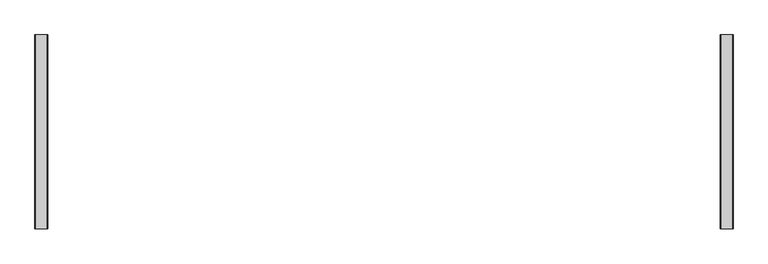
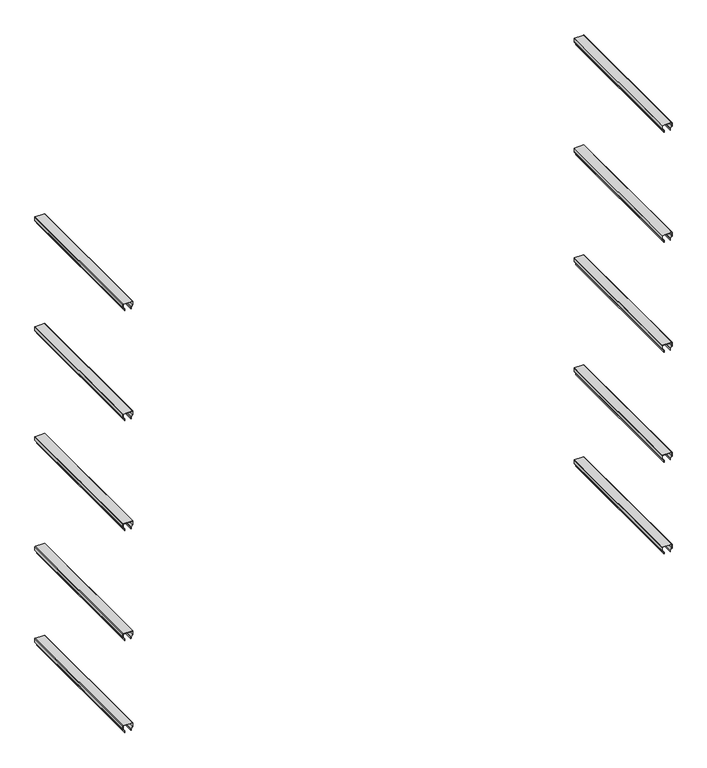
"""IFC4 building model written with IfcOpenShell, lengths in millimetres: furniture geometry."""

from ifc_helpers import new_model, si_unit, point, frame, frame_2d, origin, place, context, project, spatial, polyline, circle_curve, trimmed, segment, composite_curve, outline, extrude, source, transform, mapped, element, save


def furniture_680c0d01(model_context):
    return source(origin(), model_context, "Body", "SweptSolid", [
        extrude(outline(composite_curve([segment(polyline([(609.6, 66.9705882), (609.6, 18.0294118)]), True, "CONTINUOUS"), segment(trimmed(circle_curve(frame_2d((608.0705882, 18.0294118)), 1.5294118), [point((609.6, 18.0294118))], [point((608.0705882, 16.5))], False, "CARTESIAN"), True, "CONTINUOUS"), segment(polyline([(608.0705882, 16.5), (588.8217384, 16.5)]), True, "CONTINUOUS"), segment(trimmed(circle_curve(frame_2d((588.8217384, 18.0294118)), 1.5294118), [point((588.8217384, 16.5))], [point((587.740281, 16.9479543))], False, "CARTESIAN"), True, "CONTINUOUS"), segment(polyline([(587.740281, 16.9479543), (579.0117647, 25.6764706), (569.8352941, 25.6764706), (569.8352941, 26.5941176), (578.7583635, 26.5941176)]), True, "CONTINUOUS"), segment(trimmed(circle_curve(frame_2d((578.7583635, 25.0647059)), 1.5294118), [point((578.7583635, 26.5941176))], [point((579.8398209, 26.1461633))], False, "CARTESIAN"), True, "CONTINUOUS"), segment(polyline([(579.8398209, 26.1461633), (588.5683372, 17.4176471), (608.0705882, 17.4176471)]), True, "CONTINUOUS"), segment(trimmed(circle_curve(frame_2d((608.0705882, 18.0294118)), 0.6117647), [point((608.0705882, 17.4176471))], [point((608.6823529, 18.0294118))], True, "CARTESIAN"), True, "CONTINUOUS"), segment(polyline([(608.6823529, 18.0294118), (608.6823529, 66.9705882)]), True, "CONTINUOUS"), segment(trimmed(circle_curve(frame_2d((608.0705882, 66.9705882)), 0.6117647), [point((608.6823529, 66.9705882))], [point((608.0705882, 67.5823529))], True, "CARTESIAN"), True, "CONTINUOUS"), segment(polyline([(608.0705882, 67.5823529), (588.5683372, 67.5823529), (579.8398209, 58.8538367)]), True, "CONTINUOUS"), segment(trimmed(circle_curve(frame_2d((578.7583635, 59.9352941)), 1.5294118), [point((579.8398209, 58.8538367))], [point((578.7583635, 58.4058824))], False, "CARTESIAN"), True, "CONTINUOUS"), segment(polyline([(578.7583635, 58.4058824), (569.8352941, 58.4058824), (569.8352941, 59.3235294), (579.0117647, 59.3235294), (587.740281, 68.0520457)]), True, "CONTINUOUS"), segment(trimmed(circle_curve(frame_2d((588.8217384, 66.9705882)), 1.5294118), [point((587.740281, 68.0520457))], [point((588.8217384, 68.5))], False, "CARTESIAN"), True, "CONTINUOUS"), segment(polyline([(588.8217384, 68.5), (608.0705882, 68.5)]), True, "CONTINUOUS"), segment(trimmed(circle_curve(frame_2d((608.0705882, 66.9705882)), 1.5294118), [point((608.0705882, 68.5))], [point((609.6, 66.9705882))], False, "CARTESIAN"), True, "CONTINUOUS")], self_intersect=False)), frame((0.0, 50.0, 0.0), z_axis=(0.0, 1.0, 0.0), x_axis=(0.0, 0.0, 1.0)), (0.0, 0.0, 1.0), 800.0),
        extrude(outline(composite_curve([segment(polyline([(1219.2, 66.9705882), (1219.2, 18.0294118)]), True, "CONTINUOUS"), segment(trimmed(circle_curve(frame_2d((1217.6705882, 18.0294118)), 1.5294118), [point((1219.2, 18.0294118))], [point((1217.6705882, 16.5))], False, "CARTESIAN"), True, "CONTINUOUS"), segment(polyline([(1217.6705882, 16.5), (1198.4217384, 16.5)]), True, "CONTINUOUS"), segment(trimmed(circle_curve(frame_2d((1198.4217384, 18.0294118)), 1.5294118), [point((1198.4217384, 16.5))], [point((1197.340281, 16.9479543))], False, "CARTESIAN"), True, "CONTINUOUS"), segment(polyline([(1197.340281, 16.9479543), (1188.6117647, 25.6764706), (1179.4352941, 25.6764706), (1179.4352941, 26.5941176), (1188.3583635, 26.5941176)]), True, "CONTINUOUS"), segment(trimmed(circle_curve(frame_2d((1188.3583635, 25.0647059)), 1.5294118), [point((1188.3583635, 26.5941176))], [point((1189.4398209, 26.1461633))], False, "CARTESIAN"), True, "CONTINUOUS"), segment(polyline([(1189.4398209, 26.1461633), (1198.1683372, 17.4176471), (1217.6705882, 17.4176471)]), True, "CONTINUOUS"), segment(trimmed(circle_curve(frame_2d((1217.6705882, 18.0294118)), 0.6117647), [point((1217.6705882, 17.4176471))], [point((1218.2823529, 18.0294118))], True, "CARTESIAN"), True, "CONTINUOUS"), segment(polyline([(1218.2823529, 18.0294118), (1218.2823529, 66.9705882)]), True, "CONTINUOUS"), segment(trimmed(circle_curve(frame_2d((1217.6705882, 66.9705882)), 0.6117647), [point((1218.2823529, 66.9705882))], [point((1217.6705882, 67.5823529))], True, "CARTESIAN"), True, "CONTINUOUS"), segment(polyline([(1217.6705882, 67.5823529), (1198.1683372, 67.5823529), (1189.4398209, 58.8538367)]), True, "CONTINUOUS"), segment(trimmed(circle_curve(frame_2d((1188.3583635, 59.9352941)), 1.5294118), [point((1189.4398209, 58.8538367))], [point((1188.3583635, 58.4058824))], False, "CARTESIAN"), True, "CONTINUOUS"), segment(polyline([(1188.3583635, 58.4058824), (1179.4352941, 58.4058824), (1179.4352941, 59.3235294), (1188.6117647, 59.3235294), (1197.340281, 68.0520457)]), True, "CONTINUOUS"), segment(trimmed(circle_curve(frame_2d((1198.4217384, 66.9705882)), 1.5294118), [point((1197.340281, 68.0520457))], [point((1198.4217384, 68.5))], False, "CARTESIAN"), True, "CONTINUOUS"), segment(polyline([(1198.4217384, 68.5), (1217.6705882, 68.5)]), True, "CONTINUOUS"), segment(trimmed(circle_curve(frame_2d((1217.6705882, 66.9705882)), 1.5294118), [point((1217.6705882, 68.5))], [point((1219.2, 66.9705882))], False, "CARTESIAN"), True, "CONTINUOUS")], self_intersect=False)), frame((0.0, 50.0, 0.0), z_axis=(0.0, 1.0, 0.0), x_axis=(0.0, 0.0, 1.0)), (0.0, 0.0, 1.0), 800.0),
        extrude(outline(composite_curve([segment(polyline([(2438.4, 66.9705882), (2438.4, 18.0294118)]), True, "CONTINUOUS"), segment(trimmed(circle_curve(frame_2d((2436.8705882, 18.0294118)), 1.5294118), [point((2438.4, 18.0294118))], [point((2436.8705882, 16.5))], False, "CARTESIAN"), True, "CONTINUOUS"), segment(polyline([(2436.8705882, 16.5), (2417.6217384, 16.5)]), True, "CONTINUOUS"), segment(trimmed(circle_curve(frame_2d((2417.6217384, 18.0294118)), 1.5294118), [point((2417.6217384, 16.5))], [point((2416.540281, 16.9479543))], False, "CARTESIAN"), True, "CONTINUOUS"), segment(polyline([(2416.540281, 16.9479543), (2407.8117647, 25.6764706), (2398.6352941, 25.6764706), (2398.6352941, 26.5941176), (2407.5583635, 26.5941176)]), True, "CONTINUOUS"), segment(trimmed(circle_curve(frame_2d((2407.5583635, 25.0647059)), 1.5294118), [point((2407.5583635, 26.5941176))], [point((2408.6398209, 26.1461633))], False, "CARTESIAN"), True, "CONTINUOUS"), segment(polyline([(2408.6398209, 26.1461633), (2417.3683372, 17.4176471), (2436.8705882, 17.4176471)]), True, "CONTINUOUS"), segment(trimmed(circle_curve(frame_2d((2436.8705882, 18.0294118)), 0.6117647), [point((2436.8705882, 17.4176471))], [point((2437.4823529, 18.0294118))], True, "CARTESIAN"), True, "CONTINUOUS"), segment(polyline([(2437.4823529, 18.0294118), (2437.4823529, 66.9705882)]), True, "CONTINUOUS"), segment(trimmed(circle_curve(frame_2d((2436.8705882, 66.9705882)), 0.6117647), [point((2437.4823529, 66.9705882))], [point((2436.8705882, 67.5823529))], True, "CARTESIAN"), True, "CONTINUOUS"), segment(polyline([(2436.8705882, 67.5823529), (2417.3683372, 67.5823529), (2408.6398209, 58.8538367)]), True, "CONTINUOUS"), segment(trimmed(circle_curve(frame_2d((2407.5583635, 59.9352941)), 1.5294118), [point((2408.6398209, 58.8538367))], [point((2407.5583635, 58.4058824))], False, "CARTESIAN"), True, "CONTINUOUS"), segment(polyline([(2407.5583635, 58.4058824), (2398.6352941, 58.4058824), (2398.6352941, 59.3235294), (2407.8117647, 59.3235294), (2416.540281, 68.0520457)]), True, "CONTINUOUS"), segment(trimmed(circle_curve(frame_2d((2417.6217384, 66.9705882)), 1.5294118), [point((2416.540281, 68.0520457))], [point((2417.6217384, 68.5))], False, "CARTESIAN"), True, "CONTINUOUS"), segment(polyline([(2417.6217384, 68.5), (2436.8705882, 68.5)]), True, "CONTINUOUS"), segment(trimmed(circle_curve(frame_2d((2436.8705882, 66.9705882)), 1.5294118), [point((2436.8705882, 68.5))], [point((2438.4, 66.9705882))], False, "CARTESIAN"), True, "CONTINUOUS")], self_intersect=False)), frame((0.0, 50.0, 0.0), z_axis=(0.0, 1.0, 0.0), x_axis=(0.0, 0.0, 1.0)), (0.0, 0.0, 1.0), 800.0),
        extrude(outline(composite_curve([segment(polyline([(609.6, 2894.9705882), (609.6, 2846.0294118)]), True, "CONTINUOUS"), segment(trimmed(circle_curve(frame_2d((608.0705882, 2846.0294118)), 1.5294118), [point((609.6, 2846.0294118))], [point((608.0705882, 2844.5))], False, "CARTESIAN"), True, "CONTINUOUS"), segment(polyline([(608.0705882, 2844.5), (588.8217384, 2844.5)]), True, "CONTINUOUS"), segment(trimmed(circle_curve(frame_2d((588.8217384, 2846.0294118)), 1.5294118), [point((588.8217384, 2844.5))], [point((587.740281, 2844.9479543))], False, "CARTESIAN"), True, "CONTINUOUS"), segment(polyline([(587.740281, 2844.9479543), (579.0117647, 2853.6764706), (569.8352941, 2853.6764706), (569.8352941, 2854.5941176), (578.7583635, 2854.5941176)]), True, "CONTINUOUS"), segment(trimmed(circle_curve(frame_2d((578.7583635, 2853.0647059)), 1.5294118), [point((578.7583635, 2854.5941176))], [point((579.8398209, 2854.1461633))], False, "CARTESIAN"), True, "CONTINUOUS"), segment(polyline([(579.8398209, 2854.1461633), (588.5683372, 2845.4176471), (608.0705882, 2845.4176471)]), True, "CONTINUOUS"), segment(trimmed(circle_curve(frame_2d((608.0705882, 2846.0294118)), 0.6117647), [point((608.0705882, 2845.4176471))], [point((608.6823529, 2846.0294118))], True, "CARTESIAN"), True, "CONTINUOUS"), segment(polyline([(608.6823529, 2846.0294118), (608.6823529, 2894.9705882)]), True, "CONTINUOUS"), segment(trimmed(circle_curve(frame_2d((608.0705882, 2894.9705882)), 0.6117647), [point((608.6823529, 2894.9705882))], [point((608.0705882, 2895.5823529))], True, "CARTESIAN"), True, "CONTINUOUS"), segment(polyline([(608.0705882, 2895.5823529), (588.5683372, 2895.5823529), (579.8398209, 2886.8538367)]), True, "CONTINUOUS"), segment(trimmed(circle_curve(frame_2d((578.7583635, 2887.9352941)), 1.5294118), [point((579.8398209, 2886.8538367))], [point((578.7583635, 2886.4058824))], False, "CARTESIAN"), True, "CONTINUOUS"), segment(polyline([(578.7583635, 2886.4058824), (569.8352941, 2886.4058824), (569.8352941, 2887.3235294), (579.0117647, 2887.3235294), (587.740281, 2896.0520457)]), True, "CONTINUOUS"), segment(trimmed(circle_curve(frame_2d((588.8217384, 2894.9705882)), 1.5294118), [point((587.740281, 2896.0520457))], [point((588.8217384, 2896.5))], False, "CARTESIAN"), True, "CONTINUOUS"), segment(polyline([(588.8217384, 2896.5), (608.0705882, 2896.5)]), True, "CONTINUOUS"), segment(trimmed(circle_curve(frame_2d((608.0705882, 2894.9705882)), 1.5294118), [point((608.0705882, 2896.5))], [point((609.6, 2894.9705882))], False, "CARTESIAN"), True, "CONTINUOUS")], self_intersect=False)), frame((0.0, 50.0, 0.0), z_axis=(0.0, 1.0, 0.0), x_axis=(0.0, 0.0, 1.0)), (0.0, 0.0, 1.0), 800.0),
        extrude(outline(composite_curve([segment(polyline([(1219.2, 2894.9705882), (1219.2, 2846.0294118)]), True, "CONTINUOUS"), segment(trimmed(circle_curve(frame_2d((1217.6705882, 2846.0294118)), 1.5294118), [point((1219.2, 2846.0294118))], [point((1217.6705882, 2844.5))], False, "CARTESIAN"), True, "CONTINUOUS"), segment(polyline([(1217.6705882, 2844.5), (1198.4217384, 2844.5)]), True, "CONTINUOUS"), segment(trimmed(circle_curve(frame_2d((1198.4217384, 2846.0294118)), 1.5294118), [point((1198.4217384, 2844.5))], [point((1197.340281, 2844.9479543))], False, "CARTESIAN"), True, "CONTINUOUS"), segment(polyline([(1197.340281, 2844.9479543), (1188.6117647, 2853.6764706), (1179.4352941, 2853.6764706), (1179.4352941, 2854.5941176), (1188.3583635, 2854.5941176)]), True, "CONTINUOUS"), segment(trimmed(circle_curve(frame_2d((1188.3583635, 2853.0647059)), 1.5294118), [point((1188.3583635, 2854.5941176))], [point((1189.4398209, 2854.1461633))], False, "CARTESIAN"), True, "CONTINUOUS"), segment(polyline([(1189.4398209, 2854.1461633), (1198.1683372, 2845.4176471), (1217.6705882, 2845.4176471)]), True, "CONTINUOUS"), segment(trimmed(circle_curve(frame_2d((1217.6705882, 2846.0294118)), 0.6117647), [point((1217.6705882, 2845.4176471))], [point((1218.2823529, 2846.0294118))], True, "CARTESIAN"), True, "CONTINUOUS"), segment(polyline([(1218.2823529, 2846.0294118), (1218.2823529, 2894.9705882)]), True, "CONTINUOUS"), segment(trimmed(circle_curve(frame_2d((1217.6705882, 2894.9705882)), 0.6117647), [point((1218.2823529, 2894.9705882))], [point((1217.6705882, 2895.5823529))], True, "CARTESIAN"), True, "CONTINUOUS"), segment(polyline([(1217.6705882, 2895.5823529), (1198.1683372, 2895.5823529), (1189.4398209, 2886.8538367)]), True, "CONTINUOUS"), segment(trimmed(circle_curve(frame_2d((1188.3583635, 2887.9352941)), 1.5294118), [point((1189.4398209, 2886.8538367))], [point((1188.3583635, 2886.4058824))], False, "CARTESIAN"), True, "CONTINUOUS"), segment(polyline([(1188.3583635, 2886.4058824), (1179.4352941, 2886.4058824), (1179.4352941, 2887.3235294), (1188.6117647, 2887.3235294), (1197.340281, 2896.0520457)]), True, "CONTINUOUS"), segment(trimmed(circle_curve(frame_2d((1198.4217384, 2894.9705882)), 1.5294118), [point((1197.340281, 2896.0520457))], [point((1198.4217384, 2896.5))], False, "CARTESIAN"), True, "CONTINUOUS"), segment(polyline([(1198.4217384, 2896.5), (1217.6705882, 2896.5)]), True, "CONTINUOUS"), segment(trimmed(circle_curve(frame_2d((1217.6705882, 2894.9705882)), 1.5294118), [point((1217.6705882, 2896.5))], [point((1219.2, 2894.9705882))], False, "CARTESIAN"), True, "CONTINUOUS")], self_intersect=False)), frame((0.0, 50.0, 0.0), z_axis=(0.0, 1.0, 0.0), x_axis=(0.0, 0.0, 1.0)), (0.0, 0.0, 1.0), 800.0),
        extrude(outline(composite_curve([segment(polyline([(2438.4, 2894.9705882), (2438.4, 2846.0294118)]), True, "CONTINUOUS"), segment(trimmed(circle_curve(frame_2d((2436.8705882, 2846.0294118)), 1.5294118), [point((2438.4, 2846.0294118))], [point((2436.8705882, 2844.5))], False, "CARTESIAN"), True, "CONTINUOUS"), segment(polyline([(2436.8705882, 2844.5), (2417.6217384, 2844.5)]), True, "CONTINUOUS"), segment(trimmed(circle_curve(frame_2d((2417.6217384, 2846.0294118)), 1.5294118), [point((2417.6217384, 2844.5))], [point((2416.540281, 2844.9479543))], False, "CARTESIAN"), True, "CONTINUOUS"), segment(polyline([(2416.540281, 2844.9479543), (2407.8117647, 2853.6764706), (2398.6352941, 2853.6764706), (2398.6352941, 2854.5941176), (2407.5583635, 2854.5941176)]), True, "CONTINUOUS"), segment(trimmed(circle_curve(frame_2d((2407.5583635, 2853.0647059)), 1.5294118), [point((2407.5583635, 2854.5941176))], [point((2408.6398209, 2854.1461633))], False, "CARTESIAN"), True, "CONTINUOUS"), segment(polyline([(2408.6398209, 2854.1461633), (2417.3683372, 2845.4176471), (2436.8705882, 2845.4176471)]), True, "CONTINUOUS"), segment(trimmed(circle_curve(frame_2d((2436.8705882, 2846.0294118)), 0.6117647), [point((2436.8705882, 2845.4176471))], [point((2437.4823529, 2846.0294118))], True, "CARTESIAN"), True, "CONTINUOUS"), segment(polyline([(2437.4823529, 2846.0294118), (2437.4823529, 2894.9705882)]), True, "CONTINUOUS"), segment(trimmed(circle_curve(frame_2d((2436.8705882, 2894.9705882)), 0.6117647), [point((2437.4823529, 2894.9705882))], [point((2436.8705882, 2895.5823529))], True, "CARTESIAN"), True, "CONTINUOUS"), segment(polyline([(2436.8705882, 2895.5823529), (2417.3683372, 2895.5823529), (2408.6398209, 2886.8538367)]), True, "CONTINUOUS"), segment(trimmed(circle_curve(frame_2d((2407.5583635, 2887.9352941)), 1.5294118), [point((2408.6398209, 2886.8538367))], [point((2407.5583635, 2886.4058824))], False, "CARTESIAN"), True, "CONTINUOUS"), segment(polyline([(2407.5583635, 2886.4058824), (2398.6352941, 2886.4058824), (2398.6352941, 2887.3235294), (2407.8117647, 2887.3235294), (2416.540281, 2896.0520457)]), True, "CONTINUOUS"), segment(trimmed(circle_curve(frame_2d((2417.6217384, 2894.9705882)), 1.5294118), [point((2416.540281, 2896.0520457))], [point((2417.6217384, 2896.5))], False, "CARTESIAN"), True, "CONTINUOUS"), segment(polyline([(2417.6217384, 2896.5), (2436.8705882, 2896.5)]), True, "CONTINUOUS"), segment(trimmed(circle_curve(frame_2d((2436.8705882, 2894.9705882)), 1.5294118), [point((2436.8705882, 2896.5))], [point((2438.4, 2894.9705882))], False, "CARTESIAN"), True, "CONTINUOUS")], self_intersect=False)), frame((0.0, 50.0, 0.0), z_axis=(0.0, 1.0, 0.0), x_axis=(0.0, 0.0, 1.0)), (0.0, 0.0, 1.0), 800.0),
        extrude(outline(composite_curve([segment(polyline([(1828.8, 66.9705882), (1828.8, 18.0294118)]), True, "CONTINUOUS"), segment(trimmed(circle_curve(frame_2d((1827.2705882, 18.0294118)), 1.5294118), [point((1828.8, 18.0294118))], [point((1827.2705882, 16.5))], False, "CARTESIAN"), True, "CONTINUOUS"), segment(polyline([(1827.2705882, 16.5), (1808.0217384, 16.5)]), True, "CONTINUOUS"), segment(trimmed(circle_curve(frame_2d((1808.0217384, 18.0294118)), 1.5294118), [point((1808.0217384, 16.5))], [point((1806.940281, 16.9479543))], False, "CARTESIAN"), True, "CONTINUOUS"), segment(polyline([(1806.940281, 16.9479543), (1798.2117647, 25.6764706), (1789.0352941, 25.6764706), (1789.0352941, 26.5941176), (1797.9583635, 26.5941176)]), True, "CONTINUOUS"), segment(trimmed(circle_curve(frame_2d((1797.9583635, 25.0647059)), 1.5294118), [point((1797.9583635, 26.5941176))], [point((1799.0398209, 26.1461633))], False, "CARTESIAN"), True, "CONTINUOUS"), segment(polyline([(1799.0398209, 26.1461633), (1807.7683372, 17.4176471), (1827.2705882, 17.4176471)]), True, "CONTINUOUS"), segment(trimmed(circle_curve(frame_2d((1827.2705882, 18.0294118)), 0.6117647), [point((1827.2705882, 17.4176471))], [point((1827.8823529, 18.0294118))], True, "CARTESIAN"), True, "CONTINUOUS"), segment(polyline([(1827.8823529, 18.0294118), (1827.8823529, 66.9705882)]), True, "CONTINUOUS"), segment(trimmed(circle_curve(frame_2d((1827.2705882, 66.9705882)), 0.6117647), [point((1827.8823529, 66.9705882))], [point((1827.2705882, 67.5823529))], True, "CARTESIAN"), True, "CONTINUOUS"), segment(polyline([(1827.2705882, 67.5823529), (1807.7683372, 67.5823529), (1799.0398209, 58.8538367)]), True, "CONTINUOUS"), segment(trimmed(circle_curve(frame_2d((1797.9583635, 59.9352941)), 1.5294118), [point((1799.0398209, 58.8538367))], [point((1797.9583635, 58.4058824))], False, "CARTESIAN"), True, "CONTINUOUS"), segment(polyline([(1797.9583635, 58.4058824), (1789.0352941, 58.4058824), (1789.0352941, 59.3235294), (1798.2117647, 59.3235294), (1806.940281, 68.0520457)]), True, "CONTINUOUS"), segment(trimmed(circle_curve(frame_2d((1808.0217384, 66.9705882)), 1.5294118), [point((1806.940281, 68.0520457))], [point((1808.0217384, 68.5))], False, "CARTESIAN"), True, "CONTINUOUS"), segment(polyline([(1808.0217384, 68.5), (1827.2705882, 68.5)]), True, "CONTINUOUS"), segment(trimmed(circle_curve(frame_2d((1827.2705882, 66.9705882)), 1.5294118), [point((1827.2705882, 68.5))], [point((1828.8, 66.9705882))], False, "CARTESIAN"), True, "CONTINUOUS")], self_intersect=False)), frame((0.0, 50.0, 0.0), z_axis=(0.0, 1.0, 0.0), x_axis=(0.0, 0.0, 1.0)), (0.0, 0.0, 1.0), 800.0),
        extrude(outline(composite_curve([segment(polyline([(1828.8, 2894.9705882), (1828.8, 2846.0294118)]), True, "CONTINUOUS"), segment(trimmed(circle_curve(frame_2d((1827.2705882, 2846.0294118)), 1.5294118), [point((1828.8, 2846.0294118))], [point((1827.2705882, 2844.5))], False, "CARTESIAN"), True, "CONTINUOUS"), segment(polyline([(1827.2705882, 2844.5), (1808.0217384, 2844.5)]), True, "CONTINUOUS"), segment(trimmed(circle_curve(frame_2d((1808.0217384, 2846.0294118)), 1.5294118), [point((1808.0217384, 2844.5))], [point((1806.940281, 2844.9479543))], False, "CARTESIAN"), True, "CONTINUOUS"), segment(polyline([(1806.940281, 2844.9479543), (1798.2117647, 2853.6764706), (1789.0352941, 2853.6764706), (1789.0352941, 2854.5941176), (1797.9583635, 2854.5941176)]), True, "CONTINUOUS"), segment(trimmed(circle_curve(frame_2d((1797.9583635, 2853.0647059)), 1.5294118), [point((1797.9583635, 2854.5941176))], [point((1799.0398209, 2854.1461633))], False, "CARTESIAN"), True, "CONTINUOUS"), segment(polyline([(1799.0398209, 2854.1461633), (1807.7683372, 2845.4176471), (1827.2705882, 2845.4176471)]), True, "CONTINUOUS"), segment(trimmed(circle_curve(frame_2d((1827.2705882, 2846.0294118)), 0.6117647), [point((1827.2705882, 2845.4176471))], [point((1827.8823529, 2846.0294118))], True, "CARTESIAN"), True, "CONTINUOUS"), segment(polyline([(1827.8823529, 2846.0294118), (1827.8823529, 2894.9705882)]), True, "CONTINUOUS"), segment(trimmed(circle_curve(frame_2d((1827.2705882, 2894.9705882)), 0.6117647), [point((1827.8823529, 2894.9705882))], [point((1827.2705882, 2895.5823529))], True, "CARTESIAN"), True, "CONTINUOUS"), segment(polyline([(1827.2705882, 2895.5823529), (1807.7683372, 2895.5823529), (1799.0398209, 2886.8538367)]), True, "CONTINUOUS"), segment(trimmed(circle_curve(frame_2d((1797.9583635, 2887.9352941)), 1.5294118), [point((1799.0398209, 2886.8538367))], [point((1797.9583635, 2886.4058824))], False, "CARTESIAN"), True, "CONTINUOUS"), segment(polyline([(1797.9583635, 2886.4058824), (1789.0352941, 2886.4058824), (1789.0352941, 2887.3235294), (1798.2117647, 2887.3235294), (1806.940281, 2896.0520457)]), True, "CONTINUOUS"), segment(trimmed(circle_curve(frame_2d((1808.0217384, 2894.9705882)), 1.5294118), [point((1806.940281, 2896.0520457))], [point((1808.0217384, 2896.5))], False, "CARTESIAN"), True, "CONTINUOUS"), segment(polyline([(1808.0217384, 2896.5), (1827.2705882, 2896.5)]), True, "CONTINUOUS"), segment(trimmed(circle_curve(frame_2d((1827.2705882, 2894.9705882)), 1.5294118), [point((1827.2705882, 2896.5))], [point((1828.8, 2894.9705882))], False, "CARTESIAN"), True, "CONTINUOUS")], self_intersect=False)), frame((0.0, 50.0, 0.0), z_axis=(0.0, 1.0, 0.0), x_axis=(0.0, 0.0, 1.0)), (0.0, 0.0, 1.0), 800.0),
        extrude(outline(composite_curve([segment(polyline([(100.0, 66.9705882), (100.0, 18.0294118)]), True, "CONTINUOUS"), segment(trimmed(circle_curve(frame_2d((98.4705882, 18.0294118)), 1.5294118), [point((100.0, 18.0294118))], [point((98.4705882, 16.5))], False, "CARTESIAN"), True, "CONTINUOUS"), segment(polyline([(98.4705882, 16.5), (79.2217384, 16.5)]), True, "CONTINUOUS"), segment(trimmed(circle_curve(frame_2d((79.2217384, 18.0294118)), 1.5294118), [point((79.2217384, 16.5))], [point((78.140281, 16.9479543))], False, "CARTESIAN"), True, "CONTINUOUS"), segment(polyline([(78.140281, 16.9479543), (69.4117647, 25.6764706), (60.2352941, 25.6764706), (60.2352941, 26.5941176), (69.1583635, 26.5941176)]), True, "CONTINUOUS"), segment(trimmed(circle_curve(frame_2d((69.1583635, 25.0647059)), 1.5294118), [point((69.1583635, 26.5941176))], [point((70.2398209, 26.1461633))], False, "CARTESIAN"), True, "CONTINUOUS"), segment(polyline([(70.2398209, 26.1461633), (78.9683372, 17.4176471), (98.4705882, 17.4176471)]), True, "CONTINUOUS"), segment(trimmed(circle_curve(frame_2d((98.4705882, 18.0294118)), 0.6117647), [point((98.4705882, 17.4176471))], [point((99.0823529, 18.0294118))], True, "CARTESIAN"), True, "CONTINUOUS"), segment(polyline([(99.0823529, 18.0294118), (99.0823529, 66.9705882)]), True, "CONTINUOUS"), segment(trimmed(circle_curve(frame_2d((98.4705882, 66.9705882)), 0.6117647), [point((99.0823529, 66.9705882))], [point((98.4705882, 67.5823529))], True, "CARTESIAN"), True, "CONTINUOUS"), segment(polyline([(98.4705882, 67.5823529), (78.9683372, 67.5823529), (70.2398209, 58.8538367)]), True, "CONTINUOUS"), segment(trimmed(circle_curve(frame_2d((69.1583635, 59.9352941)), 1.5294118), [point((70.2398209, 58.8538367))], [point((69.1583635, 58.4058824))], False, "CARTESIAN"), True, "CONTINUOUS"), segment(polyline([(69.1583635, 58.4058824), (60.2352941, 58.4058824), (60.2352941, 59.3235294), (69.4117647, 59.3235294), (78.140281, 68.0520457)]), True, "CONTINUOUS"), segment(trimmed(circle_curve(frame_2d((79.2217384, 66.9705882)), 1.5294118), [point((78.140281, 68.0520457))], [point((79.2217384, 68.5))], False, "CARTESIAN"), True, "CONTINUOUS"), segment(polyline([(79.2217384, 68.5), (98.4705882, 68.5)]), True, "CONTINUOUS"), segment(trimmed(circle_curve(frame_2d((98.4705882, 66.9705882)), 1.5294118), [point((98.4705882, 68.5))], [point((100.0, 66.9705882))], False, "CARTESIAN"), True, "CONTINUOUS")], self_intersect=False)), frame((0.0, 50.0, 0.0), z_axis=(0.0, 1.0, 0.0), x_axis=(0.0, 0.0, 1.0)), (0.0, 0.0, 1.0), 800.0),
        extrude(outline(composite_curve([segment(polyline([(100.0, 2894.9705882), (100.0, 2846.0294118)]), True, "CONTINUOUS"), segment(trimmed(circle_curve(frame_2d((98.4705882, 2846.0294118)), 1.5294118), [point((100.0, 2846.0294118))], [point((98.4705882, 2844.5))], False, "CARTESIAN"), True, "CONTINUOUS"), segment(polyline([(98.4705882, 2844.5), (79.2217384, 2844.5)]), True, "CONTINUOUS"), segment(trimmed(circle_curve(frame_2d((79.2217384, 2846.0294118)), 1.5294118), [point((79.2217384, 2844.5))], [point((78.140281, 2844.9479543))], False, "CARTESIAN"), True, "CONTINUOUS"), segment(polyline([(78.140281, 2844.9479543), (69.4117647, 2853.6764706), (60.2352941, 2853.6764706), (60.2352941, 2854.5941176), (69.1583635, 2854.5941176)]), True, "CONTINUOUS"), segment(trimmed(circle_curve(frame_2d((69.1583635, 2853.0647059)), 1.5294118), [point((69.1583635, 2854.5941176))], [point((70.2398209, 2854.1461633))], False, "CARTESIAN"), True, "CONTINUOUS"), segment(polyline([(70.2398209, 2854.1461633), (78.9683372, 2845.4176471), (98.4705882, 2845.4176471)]), True, "CONTINUOUS"), segment(trimmed(circle_curve(frame_2d((98.4705882, 2846.0294118)), 0.6117647), [point((98.4705882, 2845.4176471))], [point((99.0823529, 2846.0294118))], True, "CARTESIAN"), True, "CONTINUOUS"), segment(polyline([(99.0823529, 2846.0294118), (99.0823529, 2894.9705882)]), True, "CONTINUOUS"), segment(trimmed(circle_curve(frame_2d((98.4705882, 2894.9705882)), 0.6117647), [point((99.0823529, 2894.9705882))], [point((98.4705882, 2895.5823529))], True, "CARTESIAN"), True, "CONTINUOUS"), segment(polyline([(98.4705882, 2895.5823529), (78.9683372, 2895.5823529), (70.2398209, 2886.8538367)]), True, "CONTINUOUS"), segment(trimmed(circle_curve(frame_2d((69.1583635, 2887.9352941)), 1.5294118), [point((70.2398209, 2886.8538367))], [point((69.1583635, 2886.4058824))], False, "CARTESIAN"), True, "CONTINUOUS"), segment(polyline([(69.1583635, 2886.4058824), (60.2352941, 2886.4058824), (60.2352941, 2887.3235294), (69.4117647, 2887.3235294), (78.140281, 2896.0520457)]), True, "CONTINUOUS"), segment(trimmed(circle_curve(frame_2d((79.2217384, 2894.9705882)), 1.5294118), [point((78.140281, 2896.0520457))], [point((79.2217384, 2896.5))], False, "CARTESIAN"), True, "CONTINUOUS"), segment(polyline([(79.2217384, 2896.5), (98.4705882, 2896.5)]), True, "CONTINUOUS"), segment(trimmed(circle_curve(frame_2d((98.4705882, 2894.9705882)), 1.5294118), [point((98.4705882, 2896.5))], [point((100.0, 2894.9705882))], False, "CARTESIAN"), True, "CONTINUOUS")], self_intersect=False)), frame((0.0, 50.0, 0.0), z_axis=(0.0, 1.0, 0.0), x_axis=(0.0, 0.0, 1.0)), (0.0, 0.0, 1.0), 800.0),
    ])


if __name__ == "__main__":
    model = new_model("IFC4")
    model_context = context("Model", 3, world=origin())
    ifc_project = project(units=[si_unit("LENGTHUNIT", "METRE", prefix="MILLI")], contexts=[model_context])
    site = spatial("IfcSite", under=ifc_project)
    building = spatial("IfcBuilding", under=site)
    placement = place(None, origin())
    furniture_shape = furniture_680c0d01(model_context)
    element("IfcFurniture", 1, at=placement, inside=building, context=model_context, shape_type="MappedRepresentation", body=[
        mapped(furniture_shape, transform((0.0, 0.0, 0.0), x_axis=(1.0, 0.0, 0.0), y_axis=(0.0, 1.0, 0.0), z_axis=(0.0, 0.0, 1.0))),
    ])
    save(model, "model.ifc")
